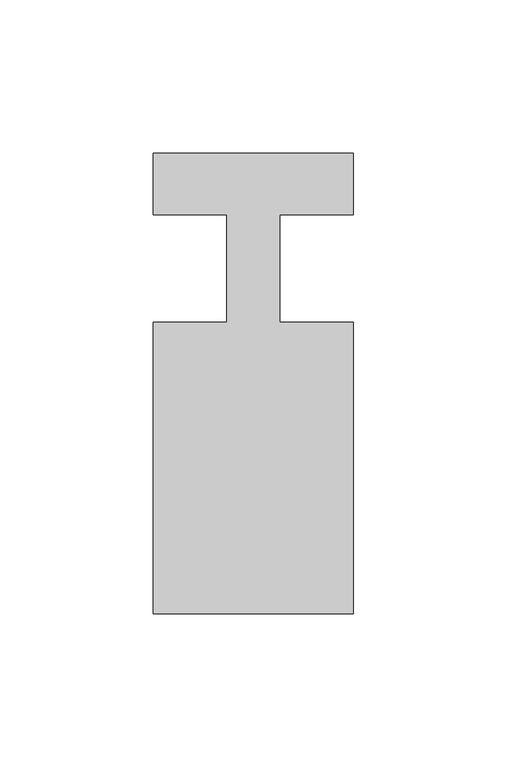
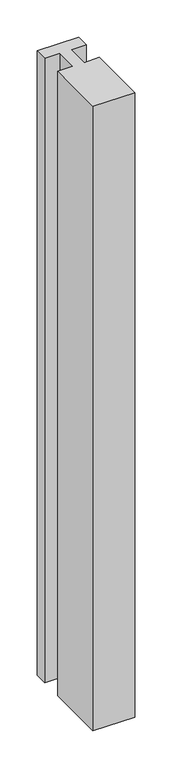
"""IFC4 building model written with IfcOpenShell, lengths in millimetres: member geometry."""

from ifc_helpers import new_model, si_unit, frame, origin, place, context, project, spatial, polyline, outline, extrude, source, transform, mapped, element, save


def member_14dc10b1(model_context):
    return source(origin(), model_context, "Body", "SweptSolid", [
        extrude(outline(polyline([(-65.0, 37.0), (0.0, 37.0), (0.0, 17.0), (-23.8125, 17.0), (-23.8125, -18.0), (0.0, -18.0), (0.0, -113.0), (-65.0, -113.0), (-65.0, -18.0), (-41.1875, -18.0), (-41.1875, 17.0), (-65.0, 17.0), (-65.0, 37.0)])), frame((0.0, 0.0, -1026.0714286), z_axis=(0.0, 0.0, 1.0), x_axis=(1.0, 0.0, 0.0)), (0.0, 0.0, 1.0), 1026.0714286),
    ])


if __name__ == "__main__":
    model = new_model("IFC4")
    model_context = context("Model", 3, world=origin())
    ifc_project = project(units=[si_unit("LENGTHUNIT", "METRE", prefix="MILLI")], contexts=[model_context])
    site = spatial("IfcSite", under=ifc_project)
    building = spatial("IfcBuilding", under=site)
    placement = place(None, origin())
    member_shape = member_14dc10b1(model_context)
    element("IfcMember", 1, at=placement, inside=building, context=model_context, shape_type="MappedRepresentation", body=[
        mapped(member_shape, transform((0.0, 0.0, 0.0), x_axis=(1.0, 0.0, 0.0), y_axis=(0.0, 1.0, 0.0), z_axis=(0.0, 0.0, 1.0))),
    ])
    save(model, "model.ifc")
